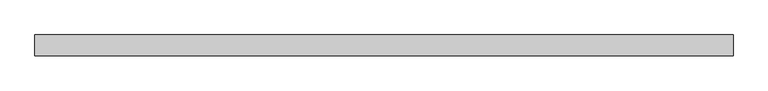
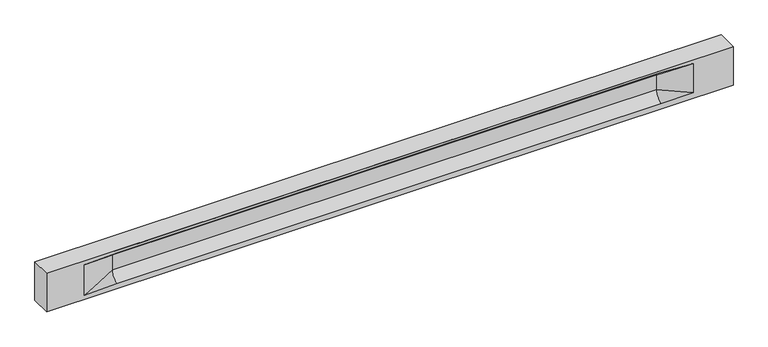
"""IFC4 building model written with IfcOpenShell, lengths in millimetres: beam geometry."""

import ifcopenshell
import ifcopenshell.guid

model = None  # the IFC model being written
_history = None  # IfcOwnerHistory: only IFC2X3 demands one
_inside = {}  # id of a spatial element -> (the spatial element, [elements in it])
_under = {}  # id of a project, library or spatial element -> (it, [spatial elements below it])
_declared = {}  # id of a project -> (the project, [libraries it declares])
_typed = {}  # id of a type object -> (the type object, [elements of that type])
_made_of = {}  # id of a material, layer set ... -> (it, [elements and type objects made of it])


def new_model(schema):
    """Start an empty IFC model of exactly this schema.

    Asked for "IFC4X3", IfcOpenShell would pick the latest addendum, in which some entities
    have other attributes; the version numbers below select the first issue.
    IFC2X3 requires an IfcOwnerHistory on every rooted entity: one is made here for all.
    """
    global model, _history
    if schema == "IFC4X3":
        model = ifcopenshell.file(schema_version=(4, 3, 0, 0))
    else:
        model = ifcopenshell.file(schema=schema)
    _inside.clear()
    _under.clear()
    _declared.clear()
    _typed.clear()
    _made_of.clear()
    _history = None
    if model.schema == "IFC2X3":
        org = make("IfcOrganization", Name="unknown")
        user = make(
            "IfcPersonAndOrganization",
            ThePerson=make("IfcPerson", FamilyName="unknown"),
            TheOrganization=org,
        )
        app = make(
            "IfcApplication",
            ApplicationDeveloper=org,
            Version="unknown",
            ApplicationFullName="unknown",
            ApplicationIdentifier="unknown",
        )
        _history = make(
            "IfcOwnerHistory",
            OwningUser=user,
            OwningApplication=app,
            ChangeAction="ADDED",
            CreationDate=0,
        )
    return model


def make(cls, **values):
    """One entity of the class cls with the attributes given. An attribute that is None is left unset."""
    return model.create_entity(
        cls, **{name: value for name, value in values.items() if value is not None}
    )


def rooted(cls, **values):
    """An entity with a GlobalId (a new one), such as an element, a storey or a relation."""
    return make(cls, GlobalId=ifcopenshell.guid.new(), OwnerHistory=_history, **values)


def si_unit(unit_type, name, prefix=None):
    """IfcSIUnit, for example si_unit("LENGTHUNIT", "METRE", prefix="MILLI")."""
    return make("IfcSIUnit", UnitType=unit_type, Prefix=prefix, Name=name)


def assignment(units):
    """IfcUnitAssignment: the units of a project."""
    return None if units is None else make("IfcUnitAssignment", Units=units)


def point(xyz):
    """IfcCartesianPoint."""
    return None if xyz is None else make("IfcCartesianPoint", Coordinates=xyz)


def direction(xyz):
    """IfcDirection."""
    return None if xyz is None else make("IfcDirection", DirectionRatios=xyz)


def frame(location, z_axis=None, x_axis=None):
    """IfcAxis2Placement3D, a coordinate frame: its origin and axes. An axis left out is left unset."""
    return make(
        "IfcAxis2Placement3D",
        Location=point(location),
        Axis=direction(z_axis),
        RefDirection=direction(x_axis),
    )


def origin():
    """The frame at (0, 0, 0) with its axes left unset."""
    return frame((0.0, 0.0, 0.0))


def place(relative_to, where):
    """IfcLocalPlacement: puts the frame where relative to a parent placement (None: the world)."""
    return make(
        "IfcLocalPlacement", PlacementRelTo=relative_to, RelativePlacement=where
    )


def context(
    kind, dimensions, precision=None, world=None, true_north=None, identifier=None
):
    """IfcGeometricRepresentationContext, for example the 3D "Model" context."""
    return make(
        "IfcGeometricRepresentationContext",
        ContextIdentifier=identifier,
        ContextType=kind,
        CoordinateSpaceDimension=dimensions,
        Precision=precision,
        WorldCoordinateSystem=world,
        TrueNorth=true_north,
    )


def project(units=None, contexts=None):
    """IfcProject with its units and contexts."""
    return rooted(
        "IfcProject",
        Name="project",
        RepresentationContexts=contexts,
        UnitsInContext=assignment(units),
    )


def spatial(cls, under=None, at=None, **own):
    """A site, building, storey or space (cls), placed at a placement, below another one or the project."""
    s = rooted(cls, ObjectPlacement=at, **own)
    if under is not None:
        _under.setdefault(under.id(), (under, []))[1].append(s)
    return s


def polyline(points):
    """IfcPolyline through the points."""
    return make("IfcPolyline", Points=[point(p) for p in points])


def circle_curve(where, radius):
    """IfcCircle in the frame where."""
    return make("IfcCircle", Position=where, Radius=radius)


def shape(context_of_items, identifier, shape_type, items):
    """IfcShapeRepresentation: the items that make up one representation, for example the "Body"."""
    return make(
        "IfcShapeRepresentation",
        ContextOfItems=context_of_items,
        RepresentationIdentifier=identifier,
        RepresentationType=shape_type,
        Items=items,
    )


def source(mapping_origin, context_of_items, identifier, shape_type, items):
    """IfcRepresentationMap: a shape defined once, which mapped items show again and again."""
    return make(
        "IfcRepresentationMap",
        MappingOrigin=mapping_origin,
        MappedRepresentation=shape(context_of_items, identifier, shape_type, items),
    )


def transform(
    local_origin,
    x_axis=None,
    y_axis=None,
    z_axis=None,
    scale=None,
    scale2=None,
    scale3=None,
    uniform=True,
):
    """IfcCartesianTransformationOperator3D, or its non-uniform kind. x_axis, y_axis, z_axis: its Axis1, 2, 3."""
    if uniform:
        return make(
            "IfcCartesianTransformationOperator3D",
            Axis1=direction(x_axis),
            Axis2=direction(y_axis),
            LocalOrigin=point(local_origin),
            Scale=scale,
            Axis3=direction(z_axis),
        )
    return make(
        "IfcCartesianTransformationOperator3DnonUniform",
        Axis1=direction(x_axis),
        Axis2=direction(y_axis),
        LocalOrigin=point(local_origin),
        Scale=scale,
        Axis3=direction(z_axis),
        Scale2=scale2,
        Scale3=scale3,
    )


def mapped(mapping_source, mapping_target):
    """IfcMappedItem: shows the shape of a source again, moved by a transform."""
    return make(
        "IfcMappedItem", MappingSource=mapping_source, MappingTarget=mapping_target
    )


def made_of(thing, what):
    """Note that an element or type object is made of a material, layer set ...; save() writes the relation."""
    if what is not None:
        _made_of.setdefault(what.id(), (what, []))[1].append(thing)
    return thing


def element(
    cls,
    number,
    at=None,
    inside=None,
    cuts=None,
    type_object=None,
    material=None,
    context=None,
    identifier="Body",
    shape_type=None,
    held_by="IfcProductDefinitionShape",
    body=None,
    shapes=None,
    **own,
):
    """One element of the class cls, such as IfcWall. Its Tag is "e" and its number.

    at: its placement. inside: the storey or other place that contains it. cuts: it is an
    opening in that element (IfcRelVoidsElement). A single representation is given by context,
    identifier, shape_type and body (its items); several are given by shapes. held_by: the class
    of the entity that holds the representations. save() writes the other relations.
    """
    e = rooted(cls, Tag="e%d" % number, ObjectPlacement=at, **own)
    if body is not None:
        shapes = [shape(context, identifier, shape_type, body)]
    if shapes is not None:
        e.Representation = make(held_by, Representations=shapes)
    if inside is not None:
        _inside.setdefault(inside.id(), (inside, []))[1].append(e)
    if cuts is not None:
        rooted(
            "IfcRelVoidsElement", RelatingBuildingElement=cuts, RelatedOpeningElement=e
        )
    if type_object is not None:
        _typed.setdefault(type_object.id(), (type_object, []))[1].append(e)
    return made_of(e, material)


def aggregate(whole, parts):
    """IfcRelAggregates: a whole, such as a stair, and the parts it consists of."""
    return rooted("IfcRelAggregates", RelatingObject=whole, RelatedObjects=parts)


def save(model, path):
    """Write the relations noted so far, then the file.

    IfcRelAggregates (storeys below a building ...), IfcRelContainedInSpatialStructure (elements
    in a storey), IfcRelDefinesByType, IfcRelAssociatesMaterial and IfcRelDeclares: one each for
    every whole, place, type object, material and project.
    """
    for whole, parts in _under.values():
        aggregate(whole, parts)
    for where, things in _inside.values():
        rooted(
            "IfcRelContainedInSpatialStructure",
            RelatedElements=things,
            RelatingStructure=where,
        )
    for kind, things in _typed.values():
        rooted("IfcRelDefinesByType", RelatedObjects=things, RelatingType=kind)
    for what, things in _made_of.values():
        rooted("IfcRelAssociatesMaterial", RelatedObjects=things, RelatingMaterial=what)
    for by, libraries in _declared.values():
        rooted("IfcRelDeclares", RelatingContext=by, RelatedDefinitions=libraries)
    model.write(path)


def plane_surface(at):
    """IfcPlane: the flat surface through the origin of the frame at, square to its z axis."""
    return make("IfcPlane", Position=at)


def revolved_surface(curve, axis_point, axis_direction):
    """IfcSurfaceOfRevolution: the curve turned about the line through axis_point along axis_direction."""
    return make(
        "IfcSurfaceOfRevolution",
        SweptCurve=make("IfcArbitraryOpenProfileDef", ProfileType="CURVE", Curve=curve),
        AxisPosition=make("IfcAxis1Placement", Location=point(axis_point), Axis=direction(axis_direction)),
    )


def spline_surface(u_degree, v_degree, points, u_multiplicities, v_multiplicities, u_knots, v_knots, weights=None):
    """IfcBSplineSurfaceWithKnots; with weights, IfcRationalBSplineSurfaceWithKnots. points: one row for each step in u."""
    own = dict(
        UDegree=u_degree,
        VDegree=v_degree,
        ControlPointsList=[[point(p) for p in row] for row in points],
        SurfaceForm="UNSPECIFIED",
        UClosed=False,
        VClosed=False,
        SelfIntersect=False,
        UMultiplicities=u_multiplicities,
        VMultiplicities=v_multiplicities,
        UKnots=u_knots,
        VKnots=v_knots,
        KnotSpec="UNSPECIFIED",
    )
    if weights is None:
        return make("IfcBSplineSurfaceWithKnots", **own)
    return make("IfcRationalBSplineSurfaceWithKnots", WeightsData=weights, **own)


def advanced_brep(points, edges, surfaces, faces):
    """IfcAdvancedBrep: a solid bounded by faces that lie on surfaces and meet in shared edges.

    An edge is (start, end): straight between two places in points (the first is 0);
    or (start, end, curve); or (start, end, curve, False) where it runs against its curve.
    A face is (place in surfaces, loops), or (place, loops, False) where it looks against
    its surface's normal. A loop lists edges by number (the first is 1), with a minus sign
    where the edge is run from its end to its start. The first loop is the outer one.
    """
    corners = [point(p) for p in points]
    vertices = [make("IfcVertexPoint", VertexGeometry=c) for c in corners]
    made = []
    for start, end, *more in edges:
        made.append(
            make(
                "IfcEdgeCurve",
                EdgeStart=vertices[start],
                EdgeEnd=vertices[end],
                EdgeGeometry=more[0] if more else make("IfcPolyline", Points=[corners[start], corners[end]]),
                SameSense=more[1] if len(more) > 1 else True,
            )
        )
    hull = []
    for where, loops, *sense in faces:
        bounds = []
        for j, loop in enumerate(loops):
            ring = [make("IfcOrientedEdge", EdgeElement=made[abs(k) - 1], Orientation=k > 0) for k in loop]
            bounds.append(
                make(
                    "IfcFaceOuterBound" if j == 0 else "IfcFaceBound",
                    Bound=make("IfcEdgeLoop", EdgeList=ring),
                    Orientation=True,
                )
            )
        hull.append(make("IfcAdvancedFace", Bounds=bounds, FaceSurface=surfaces[where], SameSense=sense[0] if sense else True))
    return make("IfcAdvancedBrep", Outer=make("IfcClosedShell", CfsFaces=hull))


def beam_398258b7(model_context):
    return source(origin(), model_context, "Body", "AdvancedBrep", [
        advanced_brep(
        [(8438.0, -250.0, 500.0), (8438.0, -250.0, -500.0), (8438.0, 250.0, -500.0), (8438.0, 250.0, 500.0), (-8438.0, -250.0, 500.0), (-8438.0, -250.0, -500.0), (7463.0, -250.0, -362.0), (6663.0, -250.0, -360.0), (-6708.0, -250.0, -360.0), (-7508.0, -250.0, -400.0), (-7508.0, -250.0, 400.0), (-6708.0, -250.0, 435.0), (6663.0, -250.0, 435.0), (7463.0, -250.0, 400.0), (-8438.0, 250.0, -500.0), (-8438.0, 250.0, 500.0), (7463.0, 250.0, 400.0), (6663.0, 250.0, 435.0), (-6708.0, 250.0, 435.0), (-7508.0, 250.0, 400.0), (-7508.0, 250.0, -400.0), (-6708.0, 250.0, -360.0), (6663.0, 250.0, -360.0), (7463.0, 250.0, -362.0), (6663.0, 155.0, 405.0), (-6708.0, 155.0, 405.0), (6663.0, 60.0, 262.777021), (-6708.0, 60.0, 262.777021), (6663.0, 60.0, -120.0), (-6708.0, 60.0, -120.0), (6663.0, -60.0, -120.0), (-6708.0, -60.0, -120.0), (6663.0, -60.0, 262.777021), (-6708.0, -60.0, 262.777021), (6663.0, -155.0, 405.0), (-6708.0, -155.0, 405.0)],
        [
            (0, 1),
            (1, 2),
            (2, 3),
            (3, 0),
            (0, 4),
            (4, 5),
            (5, 1),
            (6, 7),
            (7, 8),
            (8, 9),
            (9, 10),
            (10, 11),
            (11, 12),
            (12, 13),
            (13, 6),
            (5, 14),
            (14, 2),
            (14, 15),
            (15, 3),
            (16, 17),
            (17, 18),
            (18, 19),
            (19, 20),
            (20, 21),
            (21, 22),
            (22, 23),
            (23, 16),
            (15, 4),
            (17, 24),
            (24, 25),
            (25, 18),
            (24, 26, circle_curve(frame((6663.0, 213.9598725, 262.777021), z_axis=(1.0, 0.0, 0.0), x_axis=(0.0, 1.0, 0.0)), 153.9598725)),
            (26, 27),
            (27, 25, circle_curve(frame((-6708.0, 213.9598725, 262.777021), z_axis=(-1.0, 0.0, 0.0), x_axis=(0.0, 1.0, 0.0)), 153.9598725)),
            (26, 28),
            (28, 29),
            (29, 27),
            (28, 22, circle_curve(frame((6663.0, 306.5789474, -120.0), z_axis=(1.0, 0.0, 0.0), x_axis=(0.0, 1.0, 0.0)), 246.5789474)),
            (21, 29, circle_curve(frame((-6708.0, 306.5789474, -120.0), z_axis=(-1.0, 0.0, 0.0), x_axis=(0.0, 1.0, 0.0)), 246.5789474)),
            (7, 30, circle_curve(frame((6663.0, -306.5789474, -120.0), z_axis=(1.0, 0.0, 0.0), x_axis=(0.0, 1.0, 0.0)), 246.5789474)),
            (30, 31),
            (31, 8, circle_curve(frame((-6708.0, -306.5789474, -120.0), z_axis=(-1.0, 0.0, 0.0), x_axis=(0.0, 1.0, 0.0)), 246.5789474)),
            (30, 32),
            (32, 33),
            (33, 31),
            (32, 34, circle_curve(frame((6663.0, -213.9598725, 262.777021), z_axis=(1.0, 0.0, 0.0), x_axis=(0.0, 1.0, 0.0)), 153.9598725)),
            (34, 35),
            (35, 33, circle_curve(frame((-6708.0, -213.9598725, 262.777021), z_axis=(-1.0, 0.0, 0.0), x_axis=(0.0, 1.0, 0.0)), 153.9598725)),
            (34, 12),
            (11, 35),
            (27, 19),
            (19, 25),
            (10, 35),
            (10, 33),
            (9, 31),
            (20, 29),
            (34, 13),
            (32, 13),
            (30, 6),
            (28, 23),
            (26, 16),
            (24, 16),
        ],
        [
            plane_surface(frame((8438.0, 0.0, 0.0), z_axis=(1.0, 0.0, 0.0), x_axis=(0.0, 0.0, 1.0))),
            plane_surface(frame((8438.0, -250.0, 500.0), z_axis=(0.0, -1.0, 0.0), x_axis=(-1.0, 0.0, 0.0))),
            plane_surface(frame((8438.0, -250.0, -500.0), z_axis=(0.0, 0.0, -1.0), x_axis=(-1.0, 0.0, 0.0))),
            plane_surface(frame((8438.0, 250.0, -500.0), z_axis=(0.0, 1.0, 0.0), x_axis=(-1.0, 0.0, 0.0))),
            plane_surface(frame((8438.0, 250.0, 500.0), z_axis=(0.0, 0.0, 1.0), x_axis=(-1.0, 0.0, 0.0))),
            plane_surface(frame((-6708.0, 250.0, 435.0), z_axis=(0.0, 0.30113136793710954, -0.9535826651341378), x_axis=(1.0, 0.0, 0.0))),
            revolved_surface(polyline([(6663.0, 367.919745, 262.777021), (-6708.0, 367.919745, 262.777021)]), (-6708.0, 213.9598725, 262.777021), (1.0, 0.0, 0.0)),
            plane_surface(frame((-6708.0, 60.0, 262.777021), z_axis=(0.0, 1.0, 0.0), x_axis=(1.0, 0.0, 0.0))),
            revolved_surface(polyline([(6663.0, 553.1578948, -120.0), (-6708.0, 553.1578948, -120.0)]), (-6708.0, 306.5789474, -120.0), (1.0, 0.0, 0.0)),
            revolved_surface(polyline([(6663.0, -60.0, -120.0), (-6708.0, -60.0, -120.0)]), (-6708.0, -306.5789474, -120.0), (1.0, 0.0, 0.0)),
            plane_surface(frame((-6708.0, -60.0, -120.0), z_axis=(0.0, -1.0, 0.0), x_axis=(1.0, 0.0, 0.0))),
            revolved_surface(polyline([(6663.0, -60.0, 262.777021), (-6708.0, -60.0, 262.777021)]), (-6708.0, -213.9598725, 262.777021), (1.0, 0.0, 0.0)),
            plane_surface(frame((-6708.0, -155.0, 405.0), z_axis=(0.0, -0.30113136793710693, -0.9535826651341387), x_axis=(1.0, 0.0, 0.0))),
            spline_surface(2, 1, [[(-7508.0, 250.0, 400.0), (-6708.0, 60.0, 262.777021)], [(-7508.0, 250.0, 400.0), (-6708.0, 59.99999995452379, 365.6168572954922)], [(-7508.0, 250.0, 400.0), (-6708.0, 155.0, 405.0)]], [3, 3], [2, 2], [0.0, 1.0], [0.0, 1.0], weights=[[1.0, 1.0], [0.8315515921160737, 0.8315515921160737], [1.0, 1.0]]),
            plane_surface(frame((-7508.0, 250.0, 400.0), z_axis=(0.04168298285568771, 0.30086965068766386, -0.9527538938442265), x_axis=(0.0, 0.9535826651341378, 0.30113136793710954))),
            plane_surface(frame((-7508.0, -250.0, 400.0), z_axis=(0.041682982855687736, -0.30086965068766125, -0.9527538938442274), x_axis=(0.0, 0.9535826651341387, -0.30113136793710693))),
            spline_surface(2, 1, [[(-7508.0, -250.0, 400.0), (-6708.0, -155.0, 405.0)], [(-7508.0, -250.0, 400.0), (-6708.0, -60.00000008030692, 365.6168572114734)], [(-7508.0, -250.0, 400.0), (-6708.0, -60.0, 262.777021)]], [3, 3], [2, 2], [0.0, 1.0], [0.0, 1.0], weights=[[1.0, 1.0], [0.8315515924557569, 0.8315515924557569], [1.0, 1.0]]),
            plane_surface(frame((-7508.0, -250.0, 0.0), z_axis=(0.23107243079589934, -0.9729365507195596, 0.0), x_axis=(0.0, 0.0, -1.0))),
            spline_surface(2, 1, [[(-7508.0, -250.0, -400.0), (-6708.0, -60.0, -120.0)], [(-7508.0, -250.0, -400.0), (-6708.0, -59.99999998020837, -315.20833333333337)], [(-7508.0, -250.0, -400.0), (-6708.0, -250.0, -360.0)]], [3, 3], [2, 2], [0.0, 1.0], [0.0, 1.0], weights=[[1.0, 1.0], [0.7840458244617614, 0.7840458244617614], [1.0, 1.0]]),
            spline_surface(2, 1, [[(-7508.0, 250.0, -400.0), (-6708.0, 250.0, -360.0)], [(-7508.0, 250.0, -400.0), (-6708.0, 60.00000002887427, -315.20833329480604)], [(-7508.0, 250.0, -400.0), (-6708.0, 60.0, -120.0)]], [3, 3], [2, 2], [0.0, 1.0], [0.0, 1.0], weights=[[1.0, 1.0], [0.7840458245391329, 0.7840458245391329], [1.0, 1.0]]),
            plane_surface(frame((-7508.0, 250.0, 0.0), z_axis=(0.23107243079589507, 0.9729365507195608, 0.0), x_axis=(0.0, 0.0, 1.0))),
            plane_surface(frame((-8438.0, 0.0, 0.0), z_axis=(-1.0, 0.0, 0.0), x_axis=(0.0, 0.0, 1.0))),
            plane_surface(frame((6663.0, -202.5, 420.0), z_axis=(-0.041682982855687396, -0.30086965068766125, -0.9527538938442274), x_axis=(0.0, 0.9535826651341387, -0.30113136793710693))),
            spline_surface(2, 1, [[(6663.0, -155.0, 405.0), (7463.0, -250.0, 400.0)], [(6663.0, -60.00000008030692, 365.6168572114734), (7463.0, -250.0, 400.0)], [(6663.0, -60.0, 262.777021), (7463.0, -250.0, 400.0)]], [3, 3], [2, 2], [0.0, 1.0], [0.0, 1.0], weights=[[1.0, 1.0], [0.8315515924557569, 0.8315515924557569], [1.0, 1.0]]),
            plane_surface(frame((6663.0, -60.0, 71.3885105), z_axis=(-0.23107243079589707, -0.9729365507195603, 0.0), x_axis=(0.0, 0.0, -1.0))),
            spline_surface(2, 1, [[(6663.0, -60.0, -120.0), (7463.0, -250.0, -362.0)], [(6663.0, -59.99999998020837, -315.20833333333337), (7463.0, -250.0, -362.0)], [(6663.0, -250.0, -360.0), (7463.0, -250.0, -362.0)]], [3, 3], [2, 2], [0.0, 1.0], [0.0, 1.0], weights=[[1.0, 1.0], [0.7840458244617614, 0.7840458244617614], [1.0, 1.0]]),
            spline_surface(2, 1, [[(6663.0, 250.0, -360.0), (7463.0, 250.0, -362.0)], [(6663.0, 60.00000002887427, -315.20833329480604), (7463.0, 250.0, -362.0)], [(6663.0, 60.0, -120.0), (7463.0, 250.0, -362.0)]], [3, 3], [2, 2], [0.0, 1.0], [0.0, 1.0], weights=[[1.0, 1.0], [0.7840458245391329, 0.7840458245391329], [1.0, 1.0]]),
            plane_surface(frame((6663.0, 60.0, 71.3885105), z_axis=(-0.23107243079589063, 0.9729365507195618, 0.0), x_axis=(0.0, 0.0, 1.0))),
            spline_surface(2, 1, [[(6663.0, 60.0, 262.777021), (7463.0, 250.0, 400.0)], [(6663.0, 59.99999995452379, 365.6168572954922), (7463.0, 250.0, 400.0)], [(6663.0, 155.0, 405.0), (7463.0, 250.0, 400.0)]], [3, 3], [2, 2], [0.0, 1.0], [0.0, 1.0], weights=[[1.0, 1.0], [0.8315515921160737, 0.8315515921160737], [1.0, 1.0]]),
            plane_surface(frame((6663.0, 202.5, 420.0), z_axis=(-0.04168298285568666, 0.30086965068766386, -0.9527538938442265), x_axis=(0.0, 0.9535826651341378, 0.30113136793710954))),
        ],
        [
            (0, [[1, 2, 3, 4]]),
            (1, [[-1, 5, 6, 7], [8, 9, 10, 11, 12, 13, 14, 15]]),
            (2, [[-2, -7, 16, 17]]),
            (3, [[-3, -17, 18, 19], [20, 21, 22, 23, 24, 25, 26, 27]]),
            (4, [[-5, -4, -19, 28]]),
            (5, [[-21, 29, 30, 31]]),
            (6, [[-30, 32, 33, 34]]),
            (7, [[-33, 35, 36, 37]]),
            (8, [[-36, 38, -25, 39]]),
            (9, [[-9, 40, 41, 42]]),
            (10, [[-41, 43, 44, 45]]),
            (11, [[-44, 46, 47, 48]]),
            (12, [[-47, 49, -13, 50]]),
            (13, [[51, 52, -34]]),
            (14, [[-52, -22, -31]]),
            (15, [[-12, 53, -50]]),
            (16, [[-53, 54, -48]]),
            (17, [[-54, -11, 55, -45]]),
            (18, [[-55, -10, -42]]),
            (19, [[-24, 56, -39]]),
            (20, [[-51, -37, -56, -23]]),
            (21, [[-28, -18, -16, -6]]),
            (22, [[-14, -49, 57]]),
            (23, [[-57, -46, 58]]),
            (24, [[-58, -43, 59, -15]]),
            (25, [[-59, -40, -8]]),
            (26, [[-26, -38, 60]]),
            (27, [[-60, -35, 61, -27]]),
            (28, [[-61, -32, 62]]),
            (29, [[-62, -29, -20]]),
        ],
    ),
    ])


if __name__ == "__main__":
    model = new_model("IFC4")
    model_context = context("Model", 3, world=origin())
    ifc_project = project(units=[si_unit("LENGTHUNIT", "METRE", prefix="MILLI")], contexts=[model_context])
    site = spatial("IfcSite", under=ifc_project)
    building = spatial("IfcBuilding", under=site)
    placement = place(None, origin())
    beam_shape = beam_398258b7(model_context)
    element("IfcBeam", 1, at=placement, inside=building, context=model_context, shape_type="MappedRepresentation", body=[
        mapped(beam_shape, transform((0.0, 0.0, 0.0), x_axis=(1.0, 0.0, 0.0), y_axis=(0.0, 1.0, 0.0), z_axis=(0.0, 0.0, 1.0))),
    ])
    save(model, "model.ifc")
